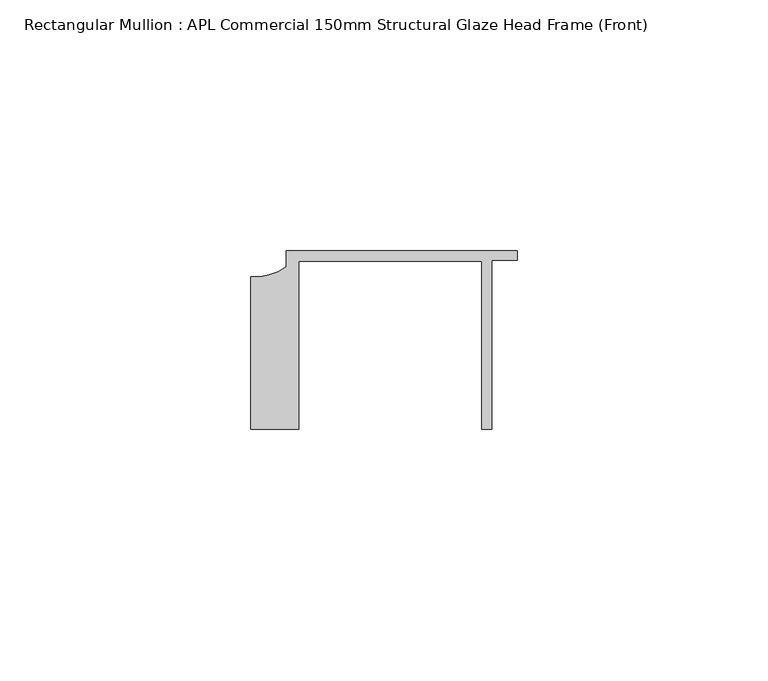
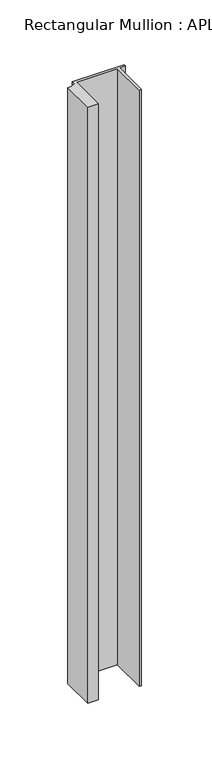
"""IFC4 building model written with IfcOpenShell, lengths in millimetres: member geometry, Rectangular Mullion : APL Commercial 150mm Structural Glaze Head Frame (Front)."""

from ifc_helpers import new_model, si_unit, point, frame, frame_2d, origin, place, context, project, spatial, polyline, circle_curve, trimmed, segment, composite_curve, outline, extrude, source, transform, mapped, element, save


def rectangular_mullion_apl_commercial_150mm_structural_glaze_3287c7a6(model_context):
    return source(origin(), model_context, "Body", "SweptSolid", [
        extrude(outline(composite_curve([segment(polyline([(-52.9999542, -15.0), (-52.9999542, 15.3798304)]), True, "CONTINUOUS"), segment(trimmed(circle_curve(frame_2d((-52.109817, 25.7982641)), 10.4563907), [point((-52.9999542, 15.3798304))], [point((-45.9999994, 17.3126154))], True, "CARTESIAN"), True, "CONTINUOUS"), segment(polyline([(-45.9999994, 17.3126154), (-45.9999994, 20.5002486), (0.0, 20.5002486), (0.0, 18.7002486), (-5.0, 18.7002486), (-5.0, -15.0), (-7.0, -15.0), (-7.0, 18.5002486), (-43.5000151, 18.5002486), (-43.5000151, -15.0), (-52.9999542, -15.0)]), True, "CONTINUOUS")], self_intersect=False)), frame((0.0, 0.0, -562.8786478), z_axis=(0.0, 0.0, 1.0), x_axis=(1.0, 0.0, 0.0)), (0.0, 0.0, 1.0), 562.8786478),
    ])


if __name__ == "__main__":
    model = new_model("IFC4")
    model_context = context("Model", 3, world=origin())
    ifc_project = project(units=[si_unit("LENGTHUNIT", "METRE", prefix="MILLI")], contexts=[model_context])
    site = spatial("IfcSite", under=ifc_project)
    building = spatial("IfcBuilding", under=site)
    placement = place(None, origin())
    rectangular_mullion_apl_commercial_150mm_structural_glaze_shape = rectangular_mullion_apl_commercial_150mm_structural_glaze_3287c7a6(model_context)
    element("IfcMember", 1, ObjectType="Rectangular Mullion : APL Commercial 150mm Structural Glaze Head Frame (Front)", at=placement, inside=building, context=model_context, shape_type="MappedRepresentation", body=[
        mapped(rectangular_mullion_apl_commercial_150mm_structural_glaze_shape, transform((0.0, 0.0, 0.0), x_axis=(1.0, 0.0, 0.0), y_axis=(0.0, 1.0, 0.0), z_axis=(0.0, 0.0, 1.0))),
    ])
    save(model, "model.ifc")
